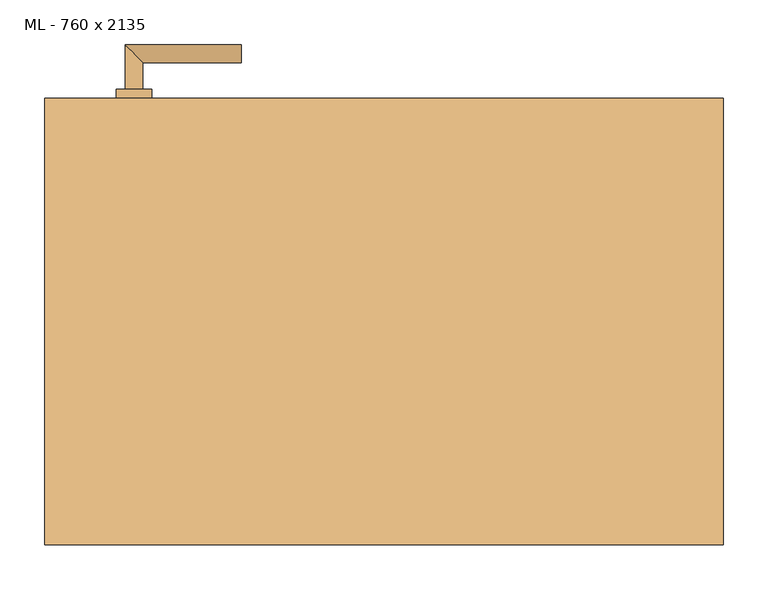
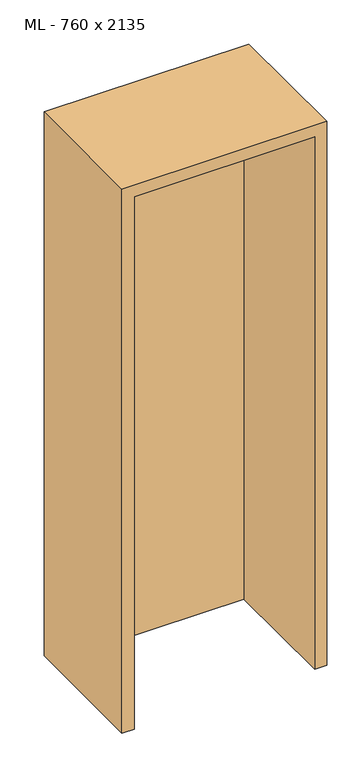
"""IFC4 building model written with IfcOpenShell, lengths in millimetres: door geometry, ML - 760 x 2135."""

from ifc_helpers import new_model, si_unit, point, frame, frame_2d, origin, origin_with_axes, place, context, project, spatial, polyline, circle_curve, ellipse_curve, trimmed, segment, composite_curve, outline, extrude, faceted_brep, source, transform, mapped, element, save
from ifc_brep_helpers import plane_surface, cylinder_surface, advanced_brep


def ml_760_x_2135_d1a73133(model_context):
    return source(origin(), model_context, "Body", "SolidModel", [
        extrude(outline(polyline([(346.0, 250.0), (346.0, 205.0), (-346.0, 205.0), (-346.0, 250.0), (346.0, 250.0)])), origin_with_axes(), (0.0, 0.0, 1.0), 2101.0),
        advanced_brep(
        [(-270.0, 260.0, 1050.0), (-290.0, 260.0, 1050.0), (-270.0, 290.0, 1050.0), (-290.0, 310.0, 1050.0), (-160.0, 290.0, 1050.0), (-160.0, 310.0, 1050.0)],
        [
            (0, 1, circle_curve(frame((-280.0, 260.0, 1050.0), z_axis=(0.0, -1.0, 0.0), x_axis=(-1.0, 0.0, 0.0)), 10.0)),
            (1, 0, circle_curve(frame((-280.0, 260.0, 1050.0), z_axis=(0.0, -1.0, 0.0), x_axis=(-1.0, 0.0, 0.0)), 10.0)),
            (0, 2),
            (2, 3, ellipse_curve(frame((-280.0, 300.0, 1050.0), z_axis=(-0.7071067811865531, -0.7071067811865419, 0.0), x_axis=(0.707106781186542, -0.707106781186553, 0.0)), 14.1421356, 10.0)),
            (3, 1),
            (3, 2, ellipse_curve(frame((-280.0, 300.0, 1050.0), z_axis=(-0.7071067811865531, -0.7071067811865419, 0.0), x_axis=(0.707106781186542, -0.707106781186553, 0.0)), 14.1421356, 10.0)),
            (4, 5, circle_curve(frame((-160.0, 300.0, 1050.0), z_axis=(1.0, 0.0, 0.0), x_axis=(0.0, 1.0, 0.0)), 10.0)),
            (5, 4, circle_curve(frame((-160.0, 300.0, 1050.0), z_axis=(1.0, 0.0, 0.0), x_axis=(0.0, 1.0, 0.0)), 10.0)),
            (2, 4),
            (5, 3),
        ],
        [
            plane_surface(frame((-280.0, 260.0, 1050.0), z_axis=(0.0, -1.0, 0.0), x_axis=(0.0, 0.0, 1.0))),
            cylinder_surface(frame((-280.0, 260.0, 1050.0), z_axis=(0.0, -1.0, 0.0), x_axis=(-1.0, 0.0, 0.0)), 10.0),
            plane_surface(frame((-160.0, 300.0, 1050.0), z_axis=(1.0, 0.0, 0.0), x_axis=(0.0, 0.0, 1.0))),
            cylinder_surface(frame((-280.0, 300.0, 1050.0), z_axis=(-1.0, 0.0, 0.0), x_axis=(0.0, 1.0, 0.0)), 10.0),
        ],
        [
            (0, [[1, 2]]),
            (1, [[-1, 3, 4, 5]]),
            (1, [[-2, -5, 6, -3]]),
            (2, [[7, 8]]),
            (3, [[-4, 9, -8, 10]]),
            (3, [[-6, -10, -7, -9]]),
        ],
    ),
        extrude(outline(composite_curve([segment(trimmed(circle_curve(frame_2d((990.0, -280.0)), 20.0), [point((990.0, -300.0))], [point((990.0, -260.0))], False, "CARTESIAN"), True, "CONTINUOUS"), segment(trimmed(circle_curve(frame_2d((990.0, -280.0)), 20.0), [point((990.0, -260.0))], [point((990.0, -300.0))], False, "CARTESIAN"), True, "CONTINUOUS")], self_intersect=False), holes=[composite_curve([segment(polyline([(976.4601385, -282.397268), (988.4749012, -282.397268)]), True, "CONTINUOUS"), segment(trimmed(circle_curve(frame_2d((995.0361633, -280.0)), 6.9854888), [point((988.4749012, -282.397268))], [point((988.4749012, -277.602732))], True, "CARTESIAN"), True, "CONTINUOUS"), segment(polyline([(988.4749012, -277.602732), (976.4601385, -277.602732)]), True, "CONTINUOUS"), segment(trimmed(circle_curve(frame_2d((976.4601385, -280.0)), 2.397268), [point((976.4601385, -277.602732))], [point((976.4601385, -282.397268))], True, "CARTESIAN"), True, "CONTINUOUS")], self_intersect=False)]), frame((0.0, 250.0, 0.0), z_axis=(0.0, 1.0, 0.0), x_axis=(0.0, 0.0, 1.0)), (0.0, 0.0, 1.0), 10.0),
        advanced_brep(
        [(-270.0, 260.0, 1050.0), (-290.0, 260.0, 1050.0), (-270.0, 290.0, 1050.0), (-290.0, 310.0, 1050.0), (-160.0, 290.0, 1050.0), (-160.0, 310.0, 1050.0)],
        [
            (0, 1, circle_curve(frame((-280.0, 260.0, 1050.0), z_axis=(0.0, -1.0, 0.0), x_axis=(-1.0, 0.0, 0.0)), 10.0)),
            (1, 0, circle_curve(frame((-280.0, 260.0, 1050.0), z_axis=(0.0, -1.0, 0.0), x_axis=(-1.0, 0.0, 0.0)), 10.0)),
            (0, 2),
            (2, 3, ellipse_curve(frame((-280.0, 300.0, 1050.0), z_axis=(-0.7071067811865537, -0.7071067811865414, 0.0), x_axis=(0.7071067811865414, -0.7071067811865536, 0.0)), 14.1421356, 10.0)),
            (3, 1),
            (3, 2, ellipse_curve(frame((-280.0, 300.0, 1050.0), z_axis=(-0.7071067811865537, -0.7071067811865414, 0.0), x_axis=(0.7071067811865414, -0.7071067811865536, 0.0)), 14.1421356, 10.0)),
            (4, 5, circle_curve(frame((-160.0, 300.0, 1050.0), z_axis=(1.0, 0.0, 0.0), x_axis=(0.0, 1.0, 0.0)), 10.0)),
            (5, 4, circle_curve(frame((-160.0, 300.0, 1050.0), z_axis=(1.0, 0.0, 0.0), x_axis=(0.0, 1.0, 0.0)), 10.0)),
            (2, 4),
            (5, 3),
        ],
        [
            plane_surface(frame((-280.0, 260.0, 1050.0), z_axis=(0.0, -1.0, 0.0), x_axis=(0.0, 0.0, 1.0))),
            cylinder_surface(frame((-280.0, 260.0, 1050.0), z_axis=(0.0, -1.0, 0.0), x_axis=(-1.0, 0.0, 0.0)), 10.0),
            plane_surface(frame((-160.0, 300.0, 1050.0), z_axis=(1.0, 0.0, 0.0), x_axis=(0.0, 0.0, 1.0))),
            cylinder_surface(frame((-280.0, 300.0, 1050.0), z_axis=(-1.0, 0.0, 0.0), x_axis=(0.0, 1.0, 0.0)), 10.0),
        ],
        [
            (0, [[1, 2]]),
            (1, [[-1, 3, 4, 5]]),
            (1, [[-2, -5, 6, -3]]),
            (2, [[7, 8]]),
            (3, [[-4, 9, -8, 10]]),
            (3, [[-6, -10, -7, -9]]),
        ],
    ),
        extrude(outline(composite_curve([segment(trimmed(circle_curve(frame_2d((1050.0, -280.0)), 20.0), [point((1050.0, -300.0))], [point((1050.0, -260.0))], False, "CARTESIAN"), True, "CONTINUOUS"), segment(trimmed(circle_curve(frame_2d((1050.0, -280.0)), 20.0), [point((1050.0, -260.0))], [point((1050.0, -300.0))], False, "CARTESIAN"), True, "CONTINUOUS")], self_intersect=False)), frame((0.0, 250.0, 0.0), z_axis=(0.0, 1.0, 0.0), x_axis=(0.0, 0.0, 1.0)), (0.0, 0.0, 1.0), 10.0),
        advanced_brep(
        [(-270.0, 195.0, 1050.0), (-290.0, 195.0, 1050.0), (-290.0, 145.0, 1050.0), (-270.0, 165.0, 1050.0), (-160.0, 165.0, 1050.0), (-160.0, 145.0, 1050.0)],
        [
            (0, 1, circle_curve(frame((-280.0, 195.0, 1050.0), z_axis=(0.0, 1.0, 0.0), x_axis=(-1.0, 0.0, 0.0)), 10.0)),
            (1, 0, circle_curve(frame((-280.0, 195.0, 1050.0), z_axis=(0.0, 1.0, 0.0), x_axis=(-1.0, 0.0, 0.0)), 10.0)),
            (1, 2),
            (2, 3, ellipse_curve(frame((-280.0, 155.0, 1050.0), z_axis=(-0.7071067811865486, 0.7071067811865464, 0.0), x_axis=(0.7071067811865464, 0.7071067811865488, 0.0)), 14.1421356, 10.0)),
            (3, 0),
            (3, 2, ellipse_curve(frame((-280.0, 155.0, 1050.0), z_axis=(-0.7071067811865486, 0.7071067811865464, 0.0), x_axis=(0.7071067811865464, 0.7071067811865488, 0.0)), 14.1421356, 10.0)),
            (4, 5, circle_curve(frame((-160.0, 155.0, 1050.0), z_axis=(1.0, 0.0, 0.0), x_axis=(0.0, -1.0, 0.0)), 10.0)),
            (5, 4, circle_curve(frame((-160.0, 155.0, 1050.0), z_axis=(1.0, 0.0, 0.0), x_axis=(0.0, -1.0, 0.0)), 10.0)),
            (2, 5),
            (4, 3),
        ],
        [
            plane_surface(frame((-280.0, 195.0, 1050.0), z_axis=(0.0, 1.0, 0.0), x_axis=(0.0, 0.0, 1.0))),
            cylinder_surface(frame((-280.0, 195.0, 1050.0), z_axis=(0.0, 1.0, 0.0), x_axis=(-1.0, 0.0, 0.0)), 10.0),
            plane_surface(frame((-160.0, 155.0, 1050.0), z_axis=(1.0, 0.0, 0.0), x_axis=(0.0, 0.0, 1.0))),
            cylinder_surface(frame((-280.0, 155.0, 1050.0), z_axis=(-1.0, 0.0, 0.0), x_axis=(0.0, -1.0, 0.0)), 10.0),
        ],
        [
            (0, [[1, 2]]),
            (1, [[3, 4, 5, -2]]),
            (1, [[-5, 6, -3, -1]]),
            (2, [[7, 8]]),
            (3, [[9, -7, 10, -4]]),
            (3, [[-10, -8, -9, -6]]),
        ],
    ),
        extrude(outline(composite_curve([segment(trimmed(circle_curve(frame_2d((990.0, -280.0)), 20.0), [point((990.0, -300.0))], [point((990.0, -260.0))], False, "CARTESIAN"), True, "CONTINUOUS"), segment(trimmed(circle_curve(frame_2d((990.0, -280.0)), 20.0), [point((990.0, -260.0))], [point((990.0, -300.0))], False, "CARTESIAN"), True, "CONTINUOUS")], self_intersect=False), holes=[composite_curve([segment(polyline([(976.4601385, -282.397268), (988.4749012, -282.397268)]), True, "CONTINUOUS"), segment(trimmed(circle_curve(frame_2d((995.0361633, -280.0)), 6.9854888), [point((988.4749012, -282.397268))], [point((988.4749012, -277.602732))], True, "CARTESIAN"), True, "CONTINUOUS"), segment(polyline([(988.4749012, -277.602732), (976.4601385, -277.602732)]), True, "CONTINUOUS"), segment(trimmed(circle_curve(frame_2d((976.4601385, -280.0)), 2.397268), [point((976.4601385, -277.602732))], [point((976.4601385, -282.397268))], True, "CARTESIAN"), True, "CONTINUOUS")], self_intersect=False)]), frame((0.0, 195.0, 0.0), z_axis=(0.0, 1.0, 0.0), x_axis=(0.0, 0.0, 1.0)), (0.0, 0.0, 1.0), 10.0),
        advanced_brep(
        [(-270.0, 195.0, 1050.0), (-290.0, 195.0, 1050.0), (-290.0, 145.0, 1050.0), (-270.0, 165.0, 1050.0), (-160.0, 165.0, 1050.0), (-160.0, 145.0, 1050.0)],
        [
            (0, 1, circle_curve(frame((-280.0, 195.0, 1050.0), z_axis=(0.0, 1.0, 0.0), x_axis=(-1.0, 0.0, 0.0)), 10.0)),
            (1, 0, circle_curve(frame((-280.0, 195.0, 1050.0), z_axis=(0.0, 1.0, 0.0), x_axis=(-1.0, 0.0, 0.0)), 10.0)),
            (1, 2),
            (2, 3, ellipse_curve(frame((-280.0, 155.0, 1050.0), z_axis=(-0.7071067811865491, 0.7071067811865459, 0.0), x_axis=(0.7071067811865458, 0.7071067811865492, 0.0)), 14.1421356, 10.0)),
            (3, 0),
            (3, 2, ellipse_curve(frame((-280.0, 155.0, 1050.0), z_axis=(-0.7071067811865491, 0.7071067811865459, 0.0), x_axis=(0.7071067811865458, 0.7071067811865492, 0.0)), 14.1421356, 10.0)),
            (4, 5, circle_curve(frame((-160.0, 155.0, 1050.0), z_axis=(1.0, 0.0, 0.0), x_axis=(0.0, -1.0, 0.0)), 10.0)),
            (5, 4, circle_curve(frame((-160.0, 155.0, 1050.0), z_axis=(1.0, 0.0, 0.0), x_axis=(0.0, -1.0, 0.0)), 10.0)),
            (2, 5),
            (4, 3),
        ],
        [
            plane_surface(frame((-280.0, 195.0, 1050.0), z_axis=(0.0, 1.0, 0.0), x_axis=(0.0, 0.0, 1.0))),
            cylinder_surface(frame((-280.0, 195.0, 1050.0), z_axis=(0.0, 1.0, 0.0), x_axis=(-1.0, 0.0, 0.0)), 10.0),
            plane_surface(frame((-160.0, 155.0, 1050.0), z_axis=(1.0, 0.0, 0.0), x_axis=(0.0, 0.0, 1.0))),
            cylinder_surface(frame((-280.0, 155.0, 1050.0), z_axis=(-1.0, 0.0, 0.0), x_axis=(0.0, -1.0, 0.0)), 10.0),
        ],
        [
            (0, [[1, 2]]),
            (1, [[3, 4, 5, -2]]),
            (1, [[-5, 6, -3, -1]]),
            (2, [[7, 8]]),
            (3, [[9, -7, 10, -4]]),
            (3, [[-10, -8, -9, -6]]),
        ],
    ),
        extrude(outline(composite_curve([segment(trimmed(circle_curve(frame_2d((1050.0, -280.0)), 20.0), [point((1050.0, -300.0))], [point((1050.0, -260.0))], False, "CARTESIAN"), True, "CONTINUOUS"), segment(trimmed(circle_curve(frame_2d((1050.0, -280.0)), 20.0), [point((1050.0, -260.0))], [point((1050.0, -300.0))], False, "CARTESIAN"), True, "CONTINUOUS")], self_intersect=False)), frame((0.0, 195.0, 0.0), z_axis=(0.0, 1.0, 0.0), x_axis=(0.0, 0.0, 1.0)), (0.0, 0.0, 1.0), 10.0),
        faceted_brep([(-350.0, 250.0, 0.0), (-350.0, 205.0, 0.0), (-335.0, 205.0, 0.0), (-335.0, -250.0, 0.0), (-380.0, -250.0, 0.0), (-380.0, 250.0, 0.0), (-350.0, 250.0, 2105.0), (-350.0, 205.0, 2105.0), (350.0, 205.0, 2105.0), (350.0, 205.0, 0.0), (335.0, 205.0, 0.0), (335.0, 205.0, 2090.0), (-335.0, 205.0, 2090.0), (-335.0, -250.0, 2090.0), (335.0, -250.0, 2090.0), (335.0, -250.0, 0.0), (380.0, -250.0, 0.0), (380.0, -250.0, 2135.0), (-380.0, -250.0, 2135.0), (-380.0, 250.0, 2135.0), (380.0, 250.0, 2135.0), (380.0, 250.0, 0.0), (350.0, 250.0, 0.0), (350.0, 250.0, 2105.0)], [[[0, 1, 2, 3, 4, 5]], [[1, 0, 6, 7]], [[2, 1, 7, 8, 9, 10, 11, 12]], [[3, 2, 12, 13]], [[4, 3, 13, 14, 15, 16, 17, 18]], [[5, 4, 18, 19]], [[0, 5, 19, 20, 21, 22, 23, 6]], [[20, 17, 16, 21]], [[22, 21, 16, 15, 10, 9]], [[8, 23, 22, 9]], [[14, 11, 10, 15]], [[19, 18, 17, 20]], [[13, 12, 11, 14]], [[7, 6, 23, 8]]]),
    ])


if __name__ == "__main__":
    model = new_model("IFC4")
    model_context = context("Model", 3, world=origin())
    ifc_project = project(units=[si_unit("LENGTHUNIT", "METRE", prefix="MILLI")], contexts=[model_context])
    site = spatial("IfcSite", under=ifc_project)
    building = spatial("IfcBuilding", under=site)
    placement = place(None, origin())
    ml_760_x_2135_shape = ml_760_x_2135_d1a73133(model_context)
    element("IfcDoor", 1, ObjectType="ML - 760 x 2135", at=placement, inside=building, context=model_context, shape_type="MappedRepresentation", body=[
        mapped(ml_760_x_2135_shape, transform((0.0, 0.0, 0.0), x_axis=(1.0, 0.0, 0.0), y_axis=(0.0, 1.0, 0.0), z_axis=(0.0, 0.0, 1.0))),
    ])
    save(model, "model.ifc")
